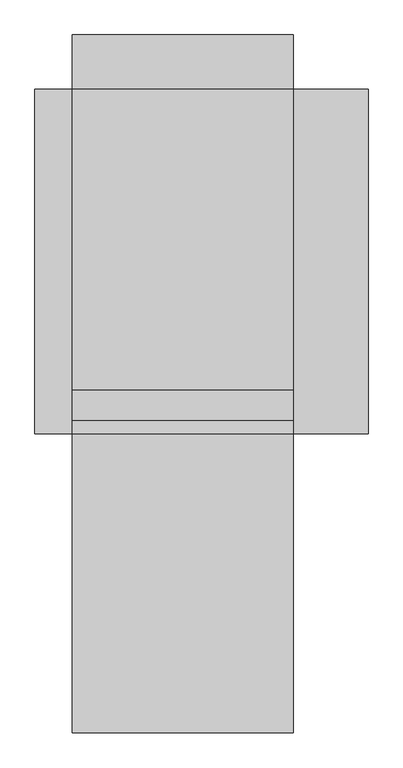
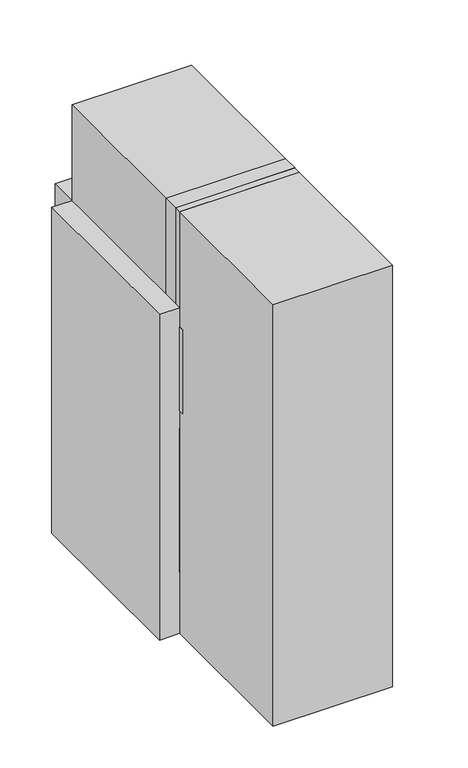
"""IFC4 building model written with IfcOpenShell, lengths in millimetres: proxy geometry."""

from ifc_helpers import new_model, si_unit, frame, origin, origin_with_axes, place, context, project, spatial, polyline, circle_curve, outline, extrude, faceted_brep, source, transform, mapped, element, save
from ifc_brep_helpers import plane_surface, revolved_surface, advanced_brep


def electrical_fixtures_13fa97fd(model_context):
    return source(origin(), model_context, "Body", "SolidModel", [
        faceted_brep([(590.0, 325.0, 0.0), (590.0, 325.0, 1070.0), (590.0, 61.0, 1070.0), (590.0, 61.0, 0.0), (0.0, 325.0, 0.0), (0.0, 61.0, 0.0), (0.0, 61.0, 1070.0), (0.0, 325.0, 1070.0), (40.0, 101.0, 0.0), (550.0, 101.0, 0.0), (550.0, 315.0, 0.0), (40.0, 315.0, 0.0), (40.0, 101.0, 10.0), (40.0, 315.0, 10.0), (550.0, 315.0, 10.0), (550.0, 101.0, 10.0)], [[[0, 1, 2, 3]], [[4, 5, 6, 7]], [[1, 0, 4, 7]], [[2, 1, 7, 6]], [[3, 2, 6, 5]], [[0, 3, 5, 4], [8, 9, 10, 11]], [[12, 13, 14, 15]], [[12, 15, 9, 8]], [[15, 14, 10, 9]], [[14, 13, 11, 10]], [[13, 12, 8, 11]]]),
        extrude(outline(polyline([(590.0, 59.0), (590.0, 0.0), (0.0, 0.0), (0.0, 59.0), (590.0, 59.0)])), frame((0.0, 0.0, 320.0), z_axis=(0.0, 0.0, 1.0), x_axis=(1.0, 0.0, 0.0)), (0.0, 0.0, 1.0), 750.0),
        advanced_brep(
        [(590.0, 325.0, 1350.0), (590.0, 920.0, 1350.0), (590.0, 920.0, 1600.0), (590.0, 325.0, 1600.0), (590.0, 503.75, 1475.0), (590.0, 383.75, 1475.0), (590.0, 682.5, 1475.0), (590.0, 562.5, 1475.0), (590.0, 861.25, 1475.0), (590.0, 741.25, 1475.0), (0.0, 325.0, 1350.0), (0.0, 325.0, 1600.0), (0.0, 920.0, 1600.0), (0.0, 920.0, 1350.0), (0.0, 741.25, 1475.0), (0.0, 861.25, 1475.0), (0.0, 562.5, 1475.0), (0.0, 682.5, 1475.0), (0.0, 383.75, 1475.0), (0.0, 503.75, 1475.0), (5.0, 741.25, 1475.0), (5.0, 861.25, 1475.0), (5.0, 562.5, 1475.0), (5.0, 682.5, 1475.0), (5.0, 383.75, 1475.0), (5.0, 503.75, 1475.0), (585.0, 503.75, 1475.0), (585.0, 383.75, 1475.0), (585.0, 682.5, 1475.0), (585.0, 562.5, 1475.0), (585.0, 861.25, 1475.0), (585.0, 741.25, 1475.0)],
        [
            (0, 1),
            (1, 2),
            (2, 3),
            (3, 0),
            (4, 5, circle_curve(frame((590.0, 443.75, 1475.0), z_axis=(-1.0, 0.0, 0.0), x_axis=(0.0, -1.0, 0.0)), 60.0)),
            (5, 4, circle_curve(frame((590.0, 443.75, 1475.0), z_axis=(-1.0, 0.0, 0.0), x_axis=(0.0, -1.0, 0.0)), 60.0)),
            (6, 7, circle_curve(frame((590.0, 622.5, 1475.0), z_axis=(-1.0, 0.0, 0.0), x_axis=(0.0, -1.0, 0.0)), 60.0)),
            (7, 6, circle_curve(frame((590.0, 622.5, 1475.0), z_axis=(-1.0, 0.0, 0.0), x_axis=(0.0, -1.0, 0.0)), 60.0)),
            (8, 9, circle_curve(frame((590.0, 801.25, 1475.0), z_axis=(-1.0, 0.0, 0.0), x_axis=(0.0, -1.0, 0.0)), 60.0)),
            (9, 8, circle_curve(frame((590.0, 801.25, 1475.0), z_axis=(-1.0, 0.0, 0.0), x_axis=(0.0, -1.0, 0.0)), 60.0)),
            (10, 11),
            (11, 12),
            (12, 13),
            (13, 10),
            (14, 15, circle_curve(frame((0.0, 801.25, 1475.0), z_axis=(1.0, 0.0, 0.0), x_axis=(0.0, 1.0, 0.0)), 60.0)),
            (15, 14, circle_curve(frame((0.0, 801.25, 1475.0), z_axis=(1.0, 0.0, 0.0), x_axis=(0.0, 1.0, 0.0)), 60.0)),
            (16, 17, circle_curve(frame((0.0, 622.5, 1475.0), z_axis=(1.0, 0.0, 0.0), x_axis=(0.0, 1.0, 0.0)), 60.0)),
            (17, 16, circle_curve(frame((0.0, 622.5, 1475.0), z_axis=(1.0, 0.0, 0.0), x_axis=(0.0, 1.0, 0.0)), 60.0)),
            (18, 19, circle_curve(frame((0.0, 443.75, 1475.0), z_axis=(1.0, 0.0, 0.0), x_axis=(0.0, 1.0, 0.0)), 60.0)),
            (19, 18, circle_curve(frame((0.0, 443.75, 1475.0), z_axis=(1.0, 0.0, 0.0), x_axis=(0.0, 1.0, 0.0)), 60.0)),
            (0, 10),
            (13, 1),
            (12, 2),
            (11, 3),
            (20, 21, circle_curve(frame((5.0, 801.25, 1475.0), z_axis=(-1.0, 0.0, 0.0), x_axis=(0.0, 1.0, 0.0)), 60.0)),
            (21, 20, circle_curve(frame((5.0, 801.25, 1475.0), z_axis=(-1.0, 0.0, 0.0), x_axis=(0.0, 1.0, 0.0)), 60.0)),
            (22, 23, circle_curve(frame((5.0, 622.5, 1475.0), z_axis=(-1.0, 0.0, 0.0), x_axis=(0.0, 1.0, 0.0)), 60.0)),
            (23, 22, circle_curve(frame((5.0, 622.5, 1475.0), z_axis=(-1.0, 0.0, 0.0), x_axis=(0.0, 1.0, 0.0)), 60.0)),
            (24, 25, circle_curve(frame((5.0, 443.75, 1475.0), z_axis=(-1.0, 0.0, 0.0), x_axis=(0.0, 1.0, 0.0)), 60.0)),
            (25, 24, circle_curve(frame((5.0, 443.75, 1475.0), z_axis=(-1.0, 0.0, 0.0), x_axis=(0.0, 1.0, 0.0)), 60.0)),
            (21, 15),
            (14, 20),
            (23, 17),
            (16, 22),
            (25, 19),
            (18, 24),
            (26, 27, circle_curve(frame((585.0, 443.75, 1475.0), z_axis=(1.0, 0.0, 0.0), x_axis=(0.0, -1.0, 0.0)), 60.0)),
            (27, 26, circle_curve(frame((585.0, 443.75, 1475.0), z_axis=(1.0, 0.0, 0.0), x_axis=(0.0, -1.0, 0.0)), 60.0)),
            (28, 29, circle_curve(frame((585.0, 622.5, 1475.0), z_axis=(1.0, 0.0, 0.0), x_axis=(0.0, -1.0, 0.0)), 60.0)),
            (29, 28, circle_curve(frame((585.0, 622.5, 1475.0), z_axis=(1.0, 0.0, 0.0), x_axis=(0.0, -1.0, 0.0)), 60.0)),
            (30, 31, circle_curve(frame((585.0, 801.25, 1475.0), z_axis=(1.0, 0.0, 0.0), x_axis=(0.0, -1.0, 0.0)), 60.0)),
            (31, 30, circle_curve(frame((585.0, 801.25, 1475.0), z_axis=(1.0, 0.0, 0.0), x_axis=(0.0, -1.0, 0.0)), 60.0)),
            (27, 5),
            (4, 26),
            (29, 7),
            (6, 28),
            (31, 9),
            (8, 30),
        ],
        [
            plane_surface(frame((590.0, 920.0, 1350.0), z_axis=(1.0, 0.0, 0.0), x_axis=(0.0, 1.0, 0.0))),
            plane_surface(frame((0.0, 920.0, 1350.0), z_axis=(-1.0, 0.0, 0.0), x_axis=(0.0, -1.0, 0.0))),
            plane_surface(frame((590.0, 325.0, 1350.0), z_axis=(0.0, 0.0, -1.0), x_axis=(-1.0, 0.0, 0.0))),
            plane_surface(frame((590.0, 920.0, 1350.0), z_axis=(0.0, 1.0, 0.0), x_axis=(-1.0, 0.0, 0.0))),
            plane_surface(frame((590.0, 920.0, 1600.0), z_axis=(0.0, 0.0, 1.0), x_axis=(-1.0, 0.0, 0.0))),
            plane_surface(frame((590.0, 325.0, 1600.0), z_axis=(0.0, -1.0, 0.0), x_axis=(-1.0, 0.0, 0.0))),
            plane_surface(frame((5.0, 861.25, 1475.0), z_axis=(-1.0, 0.0, 0.0), x_axis=(0.0, 0.0, 1.0))),
            revolved_surface(polyline([(5.0, 861.25, 1475.0), (0.0, 861.25, 1475.0)]), (0.0, 801.25, 1475.0), (1.0, 0.0, 0.0)),
            revolved_surface(polyline([(5.0, 682.5, 1475.0), (0.0, 682.5, 1475.0)]), (0.0, 622.5, 1475.0), (1.0, 0.0, 0.0)),
            revolved_surface(polyline([(5.0, 503.75, 1475.0), (0.0, 503.75, 1475.0)]), (0.0, 443.75, 1475.0), (1.0, 0.0, 0.0)),
            plane_surface(frame((585.0, 383.75, 1475.0), z_axis=(1.0, 0.0, 0.0), x_axis=(0.0, 0.0, 1.0))),
            revolved_surface(polyline([(585.0, 383.75, 1475.0), (590.0, 383.75, 1475.0)]), (590.0, 443.75, 1475.0), (-1.0, 0.0, 0.0)),
            revolved_surface(polyline([(585.0, 562.5, 1475.0), (590.0, 562.5, 1475.0)]), (590.0, 622.5, 1475.0), (-1.0, 0.0, 0.0)),
            revolved_surface(polyline([(585.0, 741.25, 1475.0), (590.0, 741.25, 1475.0)]), (590.0, 801.25, 1475.0), (-1.0, 0.0, 0.0)),
        ],
        [
            (0, [[1, 2, 3, 4], [5, 6], [7, 8], [9, 10]]),
            (1, [[11, 12, 13, 14], [15, 16], [17, 18], [19, 20]]),
            (2, [[-1, 21, -14, 22]]),
            (3, [[-2, -22, -13, 23]]),
            (4, [[-3, -23, -12, 24]]),
            (5, [[-4, -24, -11, -21]]),
            (6, [[25, 26]]),
            (6, [[27, 28]]),
            (6, [[29, 30]]),
            (7, [[-26, 31, -15, 32]]),
            (7, [[-25, -32, -16, -31]]),
            (8, [[-28, 33, -17, 34]]),
            (8, [[-27, -34, -18, -33]]),
            (9, [[-30, 35, -19, 36]]),
            (9, [[-29, -36, -20, -35]]),
            (10, [[37, 38]]),
            (10, [[39, 40]]),
            (10, [[41, 42]]),
            (11, [[-38, 43, -5, 44]]),
            (11, [[-37, -44, -6, -43]]),
            (12, [[-40, 45, -7, 46]]),
            (12, [[-39, -46, -8, -45]]),
            (13, [[-42, 47, -9, 48]]),
            (13, [[-41, -48, -10, -47]]),
        ],
    ),
        extrude(outline(polyline([(590.0, 325.0), (590.0, 36.0), (0.0, 36.0), (0.0, 325.0), (590.0, 325.0)])), frame((0.0, 0.0, 1070.0), z_axis=(0.0, 0.0, 1.0), x_axis=(1.0, 0.0, 0.0)), (0.0, 0.0, 1.0), 530.0),
        extrude(outline(polyline([(590.0, 920.0), (590.0, 325.0), (0.0, 325.0), (0.0, 920.0), (590.0, 920.0)])), frame((0.0, 0.0, 650.0), z_axis=(0.0, 0.0, 1.0), x_axis=(1.0, 0.0, 0.0)), (0.0, 0.0, 1.0), 700.0),
        extrude(outline(polyline([(590.0, 920.0), (590.0, 325.0), (0.0, 325.0), (0.0, 920.0), (590.0, 920.0)])), origin_with_axes(), (0.0, 0.0, 1.0), 650.0),
        extrude(outline(polyline([(590.0, 36.0), (590.0, -24.0), (0.0, -24.0), (0.0, 36.0), (590.0, 36.0)])), frame((0.0, 0.0, 1160.0), z_axis=(0.0, 0.0, 1.0), x_axis=(1.0, 0.0, 0.0)), (0.0, 0.0, 1.0), 440.0),
        extrude(outline(polyline([(76.0, 1600.0), (36.0, 1600.0), (36.0, 2200.0), (116.0, 2200.0), (116.0, 1600.0), (76.0, 1600.0)])), frame((0.0, 0.0, 0.0), z_axis=(1.0, 0.0, 0.0), x_axis=(0.0, 1.0, 0.0)), (0.0, 0.0, 1.0), 590.0),
        extrude(outline(polyline([(590.0, 920.0), (590.0, 0.0), (0.0, 0.0), (0.0, 920.0), (590.0, 920.0)])), frame((0.0, 0.0, 1700.0), z_axis=(0.0, 0.0, 1.0), x_axis=(1.0, 0.0, 0.0)), (0.0, 0.0, 1.0), 500.0),
        extrude(outline(polyline([(590.0, 1065.0), (590.0, 920.0), (0.0, 920.0), (0.0, 1065.0), (590.0, 1065.0)])), origin_with_axes(), (0.0, 0.0, 1.0), 1700.0),
        extrude(outline(polyline([(790.0, 920.0), (790.0, 0.0), (590.0, 0.0), (590.0, 920.0), (790.0, 920.0)])), origin_with_axes(), (0.0, 0.0, 1.0), 1700.0),
        extrude(outline(polyline([(0.0, 920.0), (0.0, 0.0), (-100.0, 0.0), (-100.0, 920.0), (0.0, 920.0)])), origin_with_axes(), (0.0, 0.0, 1.0), 1700.0),
        extrude(outline(polyline([(1035.0, 0.0), (920.0, 0.0), (920.0, 1600.0), (675.0, 1600.0), (675.0, 1700.0), (1035.0, 1700.0), (1035.0, 0.0)])), frame((0.0, 0.0, 0.0), z_axis=(1.0, 0.0, 0.0), x_axis=(0.0, 1.0, 0.0)), (0.0, 0.0, 1.0), 590.0),
        extrude(outline(polyline([(590.0, 0.0), (590.0, -800.0), (0.0, -800.0), (0.0, 0.0), (590.0, 0.0)])), origin_with_axes(), (0.0, 0.0, 1.0), 2200.0),
    ])


if __name__ == "__main__":
    model = new_model("IFC4")
    model_context = context("Model", 3, world=origin())
    ifc_project = project(units=[si_unit("LENGTHUNIT", "METRE", prefix="MILLI")], contexts=[model_context])
    site = spatial("IfcSite", under=ifc_project)
    building = spatial("IfcBuilding", under=site)
    placement = place(None, origin())
    electrical_fixtures_shape = electrical_fixtures_13fa97fd(model_context)
    element("IfcBuildingElementProxy", 1, Name="Electrical Fixtures", at=placement, inside=building, context=model_context, shape_type="MappedRepresentation", body=[
        mapped(electrical_fixtures_shape, transform((0.0, 0.0, 0.0), x_axis=(1.0, 0.0, 0.0), y_axis=(0.0, 1.0, 0.0), z_axis=(0.0, 0.0, 1.0))),
    ])
    save(model, "model.ifc")
